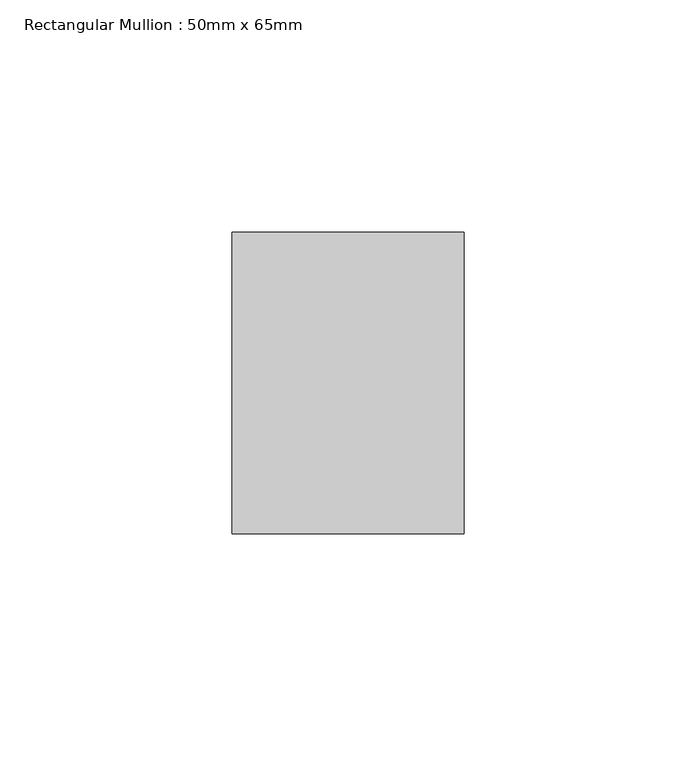
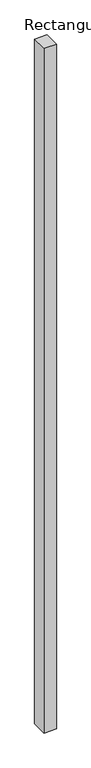
"""IFC4 building model written with IfcOpenShell, lengths in millimetres: member geometry, Rectangular Mullion : 50mm x 65mm."""

from ifc_helpers import new_model, si_unit, frame, origin, place, context, project, spatial, polyline, outline, extrude, source, transform, mapped, element, save


def rectangular_mullion_50mm_x_65mm_29c7d7e1(model_context):
    return source(origin(), model_context, "Body", "SweptSolid", [
        extrude(outline(polyline([(25.0, 32.5), (25.0, -32.5), (-25.0, -32.5), (-25.0, 32.5), (25.0, 32.5)])), frame((0.0, 0.0, -2924.9789519), z_axis=(0.0, 0.0, 1.0), x_axis=(1.0, 0.0, 0.0)), (0.0, 0.0, 1.0), 2924.9789519),
    ])


if __name__ == "__main__":
    model = new_model("IFC4")
    model_context = context("Model", 3, world=origin())
    ifc_project = project(units=[si_unit("LENGTHUNIT", "METRE", prefix="MILLI")], contexts=[model_context])
    site = spatial("IfcSite", under=ifc_project)
    building = spatial("IfcBuilding", under=site)
    placement = place(None, origin())
    rectangular_mullion_50mm_x_65mm_shape = rectangular_mullion_50mm_x_65mm_29c7d7e1(model_context)
    element("IfcMember", 1, ObjectType="Rectangular Mullion : 50mm x 65mm", at=placement, inside=building, context=model_context, shape_type="MappedRepresentation", body=[
        mapped(rectangular_mullion_50mm_x_65mm_shape, transform((0.0, 0.0, 0.0), x_axis=(1.0, 0.0, 0.0), y_axis=(0.0, 1.0, 0.0), z_axis=(0.0, 0.0, 1.0))),
    ])
    save(model, "model.ifc")
